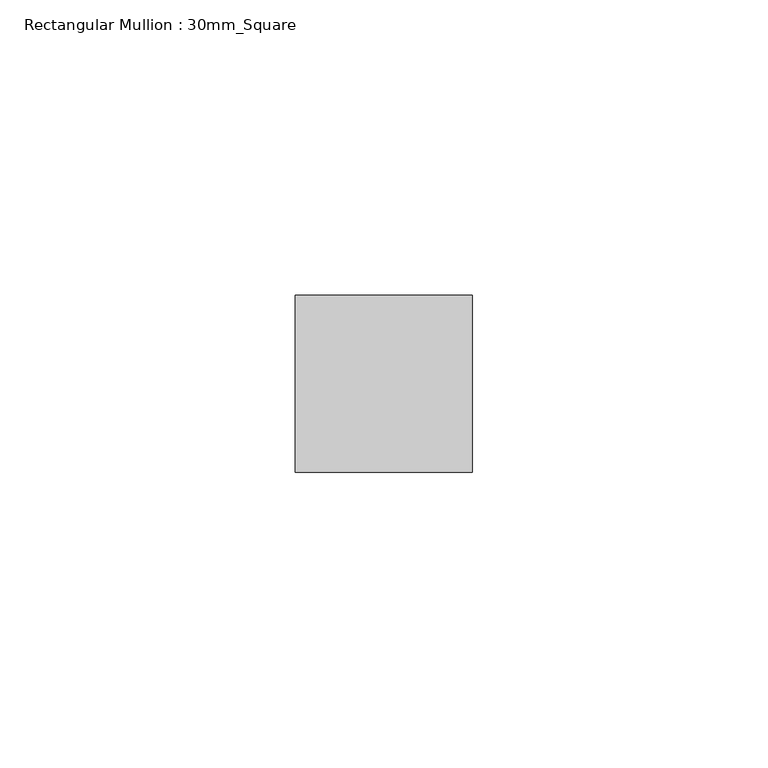
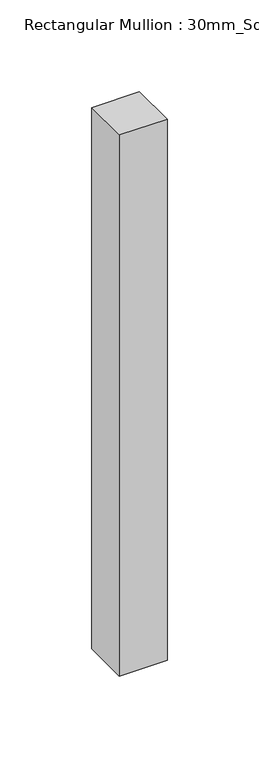
"""IFC4 building model written with IfcOpenShell, lengths in millimetres: member geometry, Rectangular Mullion : 30mm_Square."""

from ifc_helpers import new_model, si_unit, frame, origin, place, context, project, spatial, polyline, outline, extrude, source, transform, mapped, element, save


def rectangular_mullion_30mm_square_e9795fe1(model_context):
    return source(origin(), model_context, "Body", "SweptSolid", [
        extrude(outline(polyline([(0.0, 15.0), (0.0, -15.0), (-30.0, -15.0), (-30.0, 15.0), (0.0, 15.0)])), frame((0.0, 0.0, -360.0), z_axis=(0.0, 0.0, 1.0), x_axis=(1.0, 0.0, 0.0)), (0.0, 0.0, 1.0), 360.0),
    ])


if __name__ == "__main__":
    model = new_model("IFC4")
    model_context = context("Model", 3, world=origin())
    ifc_project = project(units=[si_unit("LENGTHUNIT", "METRE", prefix="MILLI")], contexts=[model_context])
    site = spatial("IfcSite", under=ifc_project)
    building = spatial("IfcBuilding", under=site)
    placement = place(None, origin())
    rectangular_mullion_30mm_square_shape = rectangular_mullion_30mm_square_e9795fe1(model_context)
    element("IfcMember", 1, ObjectType="Rectangular Mullion : 30mm_Square", at=placement, inside=building, context=model_context, shape_type="MappedRepresentation", body=[
        mapped(rectangular_mullion_30mm_square_shape, transform((0.0, 0.0, 0.0), x_axis=(1.0, 0.0, 0.0), y_axis=(0.0, 1.0, 0.0), z_axis=(0.0, 0.0, 1.0))),
    ])
    save(model, "model.ifc")
